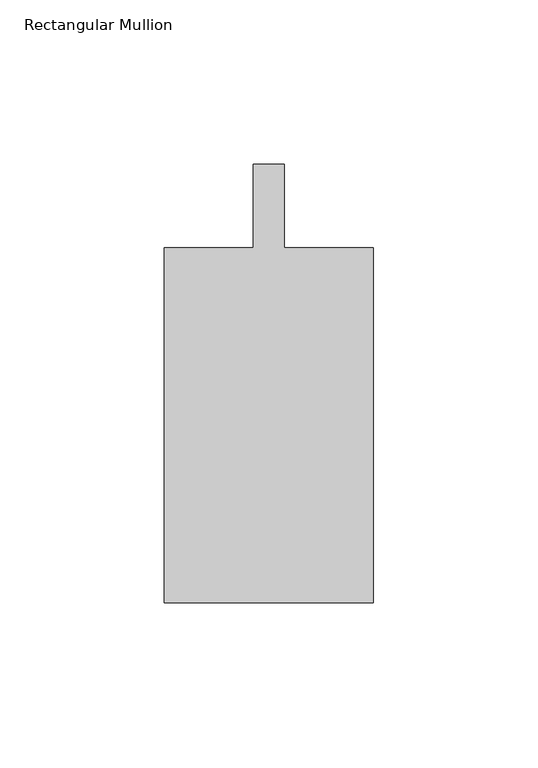
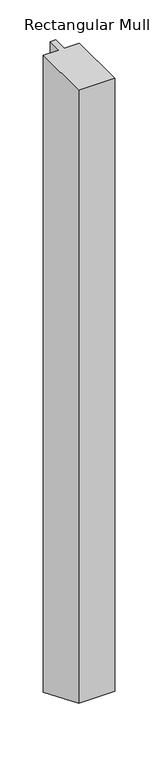
"""IFC4 building model written with IfcOpenShell, lengths in millimetres: member geometry, Rectangular Mullion."""

from ifc_helpers import new_model, si_unit, origin, place, context, project, spatial, faceted_brep, source, transform, mapped, element, save


def rectangular_mullion_b89ac9cd(model_context):
    return source(origin(), model_context, "Body", "Brep", [
        faceted_brep([(-4.7625, -12.7, 0.0), (-31.75, -12.7, 0.0), (-31.75, -120.65, 0.0), (31.75, -120.65, 0.0), (31.75, -12.7, 0.0), (4.7625, -12.7, 0.0), (4.7625, 12.7, 0.0), (-4.7625, 12.7, 0.0), (-4.7625, -12.7, -1182.1894878), (-31.75, -12.7, -1182.1894878), (-31.75, -120.65, -1137.4751337), (31.75, -120.65, -1137.4751337), (31.75, -12.7, -1182.1894878), (4.7625, -12.7, -1182.1894878), (4.7625, 12.7, -1192.7105122), (-4.7625, 12.7, -1192.7105122)], [[[0, 1, 2, 3, 4, 5, 6, 7]], [[1, 0, 8, 9]], [[2, 1, 9, 10]], [[3, 2, 10, 11]], [[4, 3, 11, 12]], [[5, 4, 12, 13]], [[6, 5, 13, 14]], [[7, 6, 14, 15]], [[0, 7, 15, 8]], [[8, 15, 14, 13, 12, 11, 10, 9]]]),
    ])


if __name__ == "__main__":
    model = new_model("IFC4")
    model_context = context("Model", 3, world=origin())
    ifc_project = project(units=[si_unit("LENGTHUNIT", "METRE", prefix="MILLI")], contexts=[model_context])
    site = spatial("IfcSite", under=ifc_project)
    building = spatial("IfcBuilding", under=site)
    placement = place(None, origin())
    rectangular_mullion_shape = rectangular_mullion_b89ac9cd(model_context)
    element("IfcMember", 1, ObjectType="Rectangular Mullion", at=placement, inside=building, context=model_context, shape_type="MappedRepresentation", body=[
        mapped(rectangular_mullion_shape, transform((0.0, 0.0, 0.0), x_axis=(1.0, 0.0, 0.0), y_axis=(0.0, 1.0, 0.0), z_axis=(0.0, 0.0, 1.0))),
    ])
    save(model, "model.ifc")
